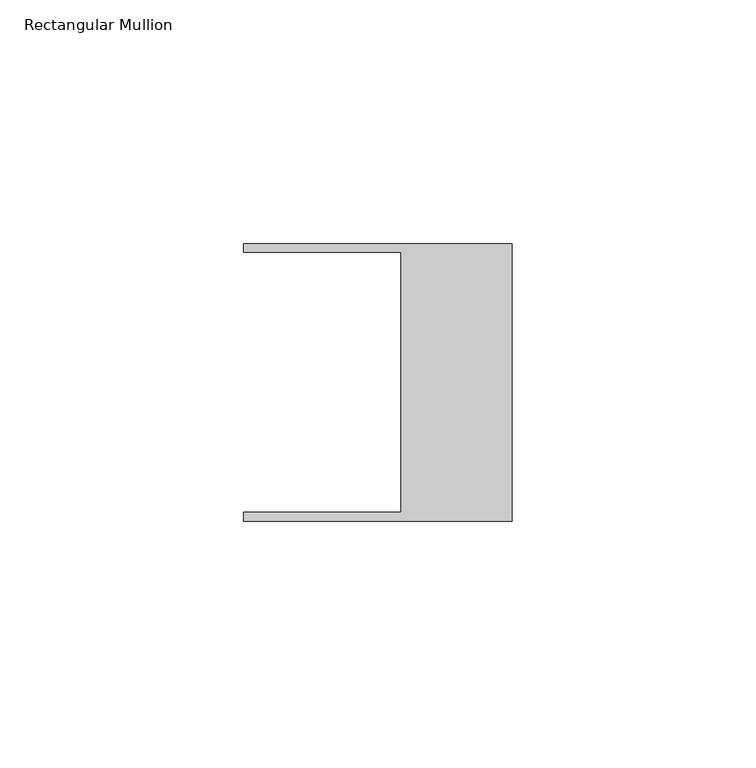
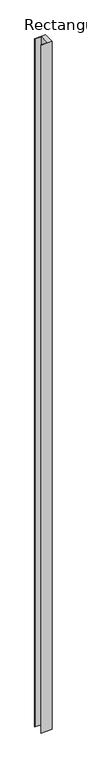
"""IFC4 building model written with IfcOpenShell, lengths in millimetres: member geometry, Rectangular Mullion."""

from ifc_helpers import new_model, si_unit, frame, origin, place, context, project, spatial, polyline, outline, extrude, source, transform, mapped, element, save


def rectangular_mullion_b9120e2b(model_context):
    return source(origin(), model_context, "Body", "SweptSolid", [
        extrude(outline(polyline([(-55.118, 26.67), (-55.118, 28.448), (0.0, 28.448), (0.0, -28.448), (-55.118, -28.448), (-55.118, -26.67), (-22.86, -26.67), (-22.86, 26.67), (-55.118, 26.67)])), frame((0.0, 0.0, -3643.3125094), z_axis=(0.0, 0.0, 1.0), x_axis=(1.0, 0.0, 0.0)), (0.0, 0.0, 1.0), 3643.3125094),
    ])


if __name__ == "__main__":
    model = new_model("IFC4")
    model_context = context("Model", 3, world=origin())
    ifc_project = project(units=[si_unit("LENGTHUNIT", "METRE", prefix="MILLI")], contexts=[model_context])
    site = spatial("IfcSite", under=ifc_project)
    building = spatial("IfcBuilding", under=site)
    placement = place(None, origin())
    rectangular_mullion_shape = rectangular_mullion_b9120e2b(model_context)
    element("IfcMember", 1, ObjectType="Rectangular Mullion", at=placement, inside=building, context=model_context, shape_type="MappedRepresentation", body=[
        mapped(rectangular_mullion_shape, transform((0.0, 0.0, 0.0), x_axis=(1.0, 0.0, 0.0), y_axis=(0.0, 1.0, 0.0), z_axis=(0.0, 0.0, 1.0))),
    ])
    save(model, "model.ifc")
